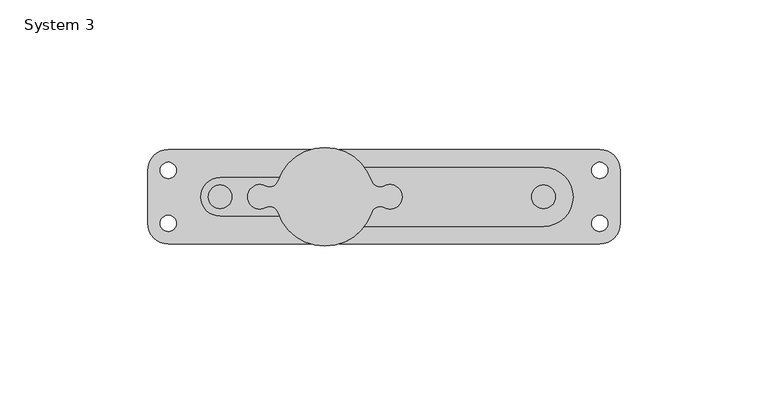
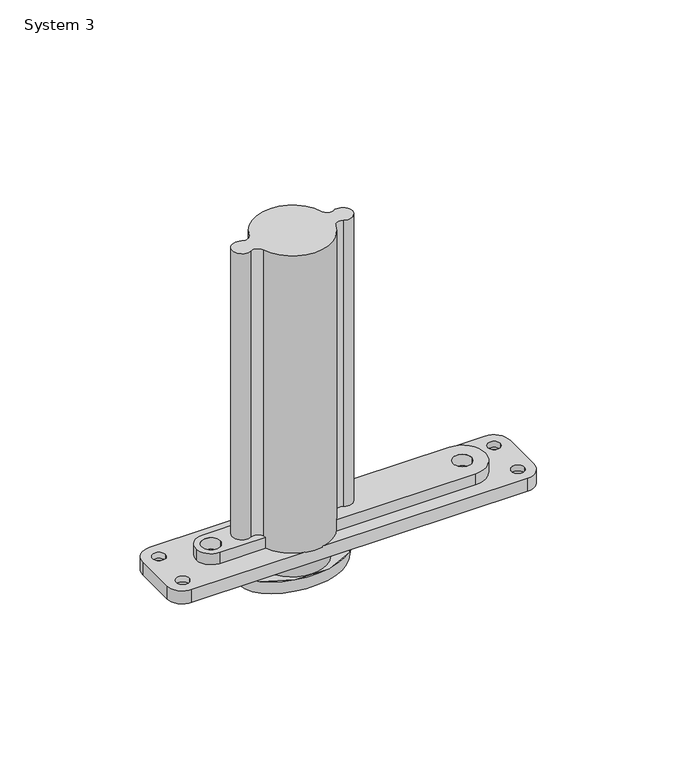
"""IFC4 building model written with IfcOpenShell, lengths in millimetres: proxy geometry, System 3."""

from ifc_helpers import new_model, si_unit, point, frame, origin, origin_2d, place, context, project, spatial, polyline, circle_curve, ellipse_curve, trimmed, segment, composite_curve, outline, extrude, source, transform, mapped, element, save
from ifc_brep_helpers import plane_surface, cylinder_surface, revolved_surface, spline_surface, advanced_brep


def system_3_7734e4b2(model_context):
    return source(origin(), model_context, "Body", "SolidModel", [
        extrude(outline(composite_curve([segment(trimmed(circle_curve(origin_2d(), 14.5), [point((-14.5, 0.0))], [point((14.5, 0.0))], False, "CARTESIAN"), True, "CONTINUOUS"), segment(trimmed(circle_curve(origin_2d(), 14.5), [point((14.5, 0.0))], [point((-14.5, 0.0))], False, "CARTESIAN"), True, "CONTINUOUS")], self_intersect=False)), frame((0.0, 0.0, -6.3), z_axis=(0.0, 0.0, 1.0), x_axis=(1.0, 0.0, 0.0)), (0.0, 0.0, 1.0), 6.3),
        advanced_brep(
        [(-24.0, 0.0, -6.3), (24.0, 0.0, -6.3), (-23.0, 0.0, -12.3), (23.0, 0.0, -12.3)],
        [
            (0, 1, ellipse_curve(frame((0.0, 0.0, -6.3), z_axis=(0.0, 0.0, 1.0), x_axis=(1.0, 0.0, 0.0)), 24.0, 15.5)),
            (1, 0, ellipse_curve(frame((0.0, 0.0, -6.3), z_axis=(0.0, 0.0, 1.0), x_axis=(1.0, 0.0, 0.0)), 24.0, 15.5)),
            (2, 3, ellipse_curve(frame((0.0, 0.0, -12.3), z_axis=(0.0, 0.0, -1.0), x_axis=(1.0, 0.0, 0.0)), 23.0, 14.5)),
            (3, 2, ellipse_curve(frame((0.0, 0.0, -12.3), z_axis=(0.0, 0.0, -1.0), x_axis=(1.0, 0.0, 0.0)), 23.0, 14.5)),
            (3, 1),
            (0, 2),
        ],
        [
            plane_surface(frame((0.0, 0.0, -6.3), z_axis=(0.0, 0.0, 1.0), x_axis=(0.0, -1.0, 0.0))),
            plane_surface(frame((0.0, 0.0, -12.3), z_axis=(0.0, 0.0, -1.0), x_axis=(0.0, -1.0, 0.0))),
            spline_surface(2, 1, [[(-23.0, 0.0, -12.3), (-24.0, 0.0, -6.3)], [(-23.0, -14.5, -12.3), (-24.0, -15.5, -6.3)], [(0.0, -14.5, -12.3), (0.0, -15.5, -6.3)], [(23.0, -14.5, -12.3), (24.0, -15.5, -6.3)], [(23.0, 0.0, -12.3), (24.0, 0.0, -6.3)]], [3, 2, 3], [2, 2], [0.0, 1.0, 2.0], [0.0, 1.0], weights=[[1.0, 1.0], [0.7071067811865476, 0.7071067811865476], [1.0, 1.0], [0.7071067811865476, 0.7071067811865476], [1.0, 1.0]]),
            spline_surface(2, 1, [[(23.0, 0.0, -12.3), (24.0, 0.0, -6.3)], [(23.0, 14.5, -12.3), (24.0, 15.5, -6.3)], [(0.0, 14.5, -12.3), (0.0, 15.5, -6.3)], [(-23.0, 14.5, -12.3), (-24.0, 15.5, -6.3)], [(-23.0, 0.0, -12.3), (-24.0, 0.0, -6.3)]], [3, 2, 3], [2, 2], [0.0, 1.0, 2.0], [0.0, 1.0], weights=[[1.0, 1.0], [0.7071067811865476, 0.7071067811865476], [1.0, 1.0], [0.7071067811865476, 0.7071067811865476], [1.0, 1.0]]),
        ],
        [
            (0, [[1, 2]]),
            (1, [[3, 4]]),
            (2, [[-4, 5, -1, 6]]),
            (3, [[-3, -6, -2, -5]]),
        ],
    ),
        advanced_brep(
        [(93.0, -15.9997165, 6.0), (100.0, -8.9997165, 6.0), (100.0, 9.0002835, 6.0), (93.0, 16.0002835, 6.0), (4.8213413, 16.0002835, 6.0), (13.3885923, 10.0, 6.0), (74.0, 10.0, 6.0), (84.0, 0.0, 6.0), (74.0, -10.0, 6.0), (13.3885923, -10.0, 6.0), (4.8232224, -15.9997165, 6.0), (90.25, -9.0, 6.0), (95.75, -9.0, 6.0), (90.25, 9.0, 6.0), (95.75, 9.0, 6.0), (-53.0, 16.0002835, 6.0), (-60.0, 9.0002835, 6.0), (-60.0, -8.9997165, 6.0), (-53.0, -15.9997165, 6.0), (-4.8232224, -15.9997165, 6.0), (-15.3949473, -6.5, 6.0), (-35.5, -6.5, 6.0), (-42.0, 0.0, 6.0), (-35.5, 6.5, 6.0), (-15.3949473, 6.5, 6.0), (-4.8213413, 16.0002835, 6.0), (-55.75, 9.0, 6.0), (-50.25, 9.0, 6.0), (-55.75, -9.0, 6.0), (-50.25, -9.0, 6.0), (-31.5, 0.0, 6.0), (-39.5, 0.0, 6.0), (78.0, 0.0, 6.0), (70.0, 0.0, 6.0), (-53.0, -15.9997165, 0.0), (-60.0, -8.9997165, 0.0), (-60.0, 9.0002835, 0.0), (-53.0, 16.0002835, 0.0), (93.0, 16.0002835, 0.0), (100.0, 9.0002835, 0.0), (100.0, -8.9997165, 0.0), (93.0, -15.9997165, 0.0), (-47.0, 9.0, 0.0), (-59.0, 9.0, 0.0), (-47.0, -9.0, 0.0), (-59.0, -9.0, 0.0), (99.0, -9.0, 0.0), (87.0, -9.0, 0.0), (99.0, 9.0, 0.0), (87.0, 9.0, 0.0), (-50.25, 9.0, 3.25), (-55.75, 9.0, 3.25), (-50.25, -9.0, 3.25), (-55.75, -9.0, 3.25), (90.25, -9.0, 3.25), (95.75, -9.0, 3.25), (90.25, 9.0, 3.25), (95.75, 9.0, 3.25), (-20.0391007, -3.6653271, 143.0), (-15.8409091, -5.3216541, 143.0), (15.83968, -5.3253112, 143.0), (20.0391034, -3.665322, 143.0), (20.0391034, 3.665322, 143.0), (15.83968, 5.3253112, 143.0), (-15.8409091, 5.3216541, 143.0), (-20.0391007, 3.6653271, 143.0), (-20.0391007, -3.6653271, 11.2), (-15.8409091, -5.3216541, 11.2), (-15.3949473, -6.5, 11.2), (13.3885923, -10.0, 11.2), (15.83968, -5.3253112, 11.2), (20.0391034, -3.665322, 11.2), (20.0391034, 3.665322, 11.2), (15.83968, 5.3253112, 11.2), (13.3885923, 10.0, 11.2), (-15.3949473, 6.5, 11.2), (-15.8409091, 5.3216541, 11.2), (-20.0391007, 3.6653271, 11.2), (-35.5, 6.5, 11.2), (-42.0, 0.0, 11.2), (-35.5, -6.5, 11.2), (-39.5, 0.0, 11.2), (-31.5, 0.0, 11.2), (74.0, -10.0, 11.2), (84.0, 0.0, 11.2), (74.0, 10.0, 11.2), (70.0, 0.0, 11.2), (78.0, 0.0, 11.2)],
        [
            (0, 1, circle_curve(frame((93.0, -8.9997165, 6.0), z_axis=(0.0, 0.0, 1.0), x_axis=(1.0, 0.0, 0.0)), 7.0)),
            (1, 2),
            (2, 3, circle_curve(frame((93.0, 9.0002835, 6.0), z_axis=(0.0, 0.0, 1.0), x_axis=(1.0, 0.0, 0.0)), 7.0)),
            (3, 4),
            (4, 5, circle_curve(frame((0.0, 0.0, 6.0), z_axis=(0.0, 0.0, -1.0), x_axis=(1.0, 0.0, 0.0)), 16.7109067)),
            (5, 6),
            (6, 7, circle_curve(frame((74.0, 0.0, 6.0), z_axis=(0.0, 0.0, -1.0), x_axis=(1.0, 0.0, 0.0)), 10.0)),
            (7, 8, circle_curve(frame((74.0, 0.0, 6.0), z_axis=(0.0, 0.0, -1.0), x_axis=(1.0, 0.0, 0.0)), 10.0)),
            (8, 9),
            (9, 10, circle_curve(frame((0.0, 0.0, 6.0), z_axis=(0.0, 0.0, -1.0), x_axis=(1.0, 0.0, 0.0)), 16.7109067)),
            (10, 0),
            (11, 12, circle_curve(frame((93.0, -9.0, 6.0), z_axis=(0.0, 0.0, -1.0), x_axis=(1.0, 0.0, 0.0)), 2.75)),
            (12, 11, circle_curve(frame((93.0, -9.0, 6.0), z_axis=(0.0, 0.0, -1.0), x_axis=(1.0, 0.0, 0.0)), 2.75)),
            (13, 14, circle_curve(frame((93.0, 9.0, 6.0), z_axis=(0.0, 0.0, -1.0), x_axis=(1.0, 0.0, 0.0)), 2.75)),
            (14, 13, circle_curve(frame((93.0, 9.0, 6.0), z_axis=(0.0, 0.0, -1.0), x_axis=(1.0, 0.0, 0.0)), 2.75)),
            (15, 16, circle_curve(frame((-53.0, 9.0002835, 6.0), z_axis=(0.0, 0.0, 1.0), x_axis=(1.0, 0.0, 0.0)), 7.0)),
            (16, 17),
            (17, 18, circle_curve(frame((-53.0, -8.9997165, 6.0), z_axis=(0.0, 0.0, 1.0), x_axis=(1.0, 0.0, 0.0)), 7.0)),
            (18, 19),
            (19, 20, circle_curve(frame((0.0, 0.0, 6.0), z_axis=(0.0, 0.0, -1.0), x_axis=(1.0, 0.0, 0.0)), 16.7109067)),
            (20, 21),
            (21, 22, circle_curve(frame((-35.5, 0.0, 6.0), z_axis=(0.0, 0.0, -1.0), x_axis=(1.0, 0.0, 0.0)), 6.5)),
            (22, 23, circle_curve(frame((-35.5, 0.0, 6.0), z_axis=(0.0, 0.0, -1.0), x_axis=(1.0, 0.0, 0.0)), 6.5)),
            (23, 24),
            (24, 25, circle_curve(frame((0.0, 0.0, 6.0), z_axis=(0.0, 0.0, -1.0), x_axis=(1.0, 0.0, 0.0)), 16.7109067)),
            (25, 15),
            (26, 27, circle_curve(frame((-53.0, 9.0, 6.0), z_axis=(0.0, 0.0, -1.0), x_axis=(-1.0, 0.0, 0.0)), 2.75)),
            (27, 26, circle_curve(frame((-53.0, 9.0, 6.0), z_axis=(0.0, 0.0, -1.0), x_axis=(-1.0, 0.0, 0.0)), 2.75)),
            (28, 29, circle_curve(frame((-53.0, -9.0, 6.0), z_axis=(0.0, 0.0, -1.0), x_axis=(-1.0, 0.0, 0.0)), 2.75)),
            (29, 28, circle_curve(frame((-53.0, -9.0, 6.0), z_axis=(0.0, 0.0, -1.0), x_axis=(-1.0, 0.0, 0.0)), 2.75)),
            (30, 31, circle_curve(frame((-35.5, 0.0, 6.0), z_axis=(0.0, 0.0, 1.0), x_axis=(1.0, 0.0, 0.0)), 4.0)),
            (31, 30, circle_curve(frame((-35.5, 0.0, 6.0), z_axis=(0.0, 0.0, 1.0), x_axis=(1.0, 0.0, 0.0)), 4.0)),
            (32, 33, circle_curve(frame((74.0, 0.0, 6.0), z_axis=(0.0, 0.0, 1.0), x_axis=(1.0, 0.0, 0.0)), 4.0)),
            (33, 32, circle_curve(frame((74.0, 0.0, 6.0), z_axis=(0.0, 0.0, 1.0), x_axis=(1.0, 0.0, 0.0)), 4.0)),
            (34, 35, circle_curve(frame((-53.0, -8.9997165, 0.0), z_axis=(0.0, 0.0, -1.0), x_axis=(1.0, 0.0, 0.0)), 7.0)),
            (35, 36),
            (36, 37, circle_curve(frame((-53.0, 9.0002835, 0.0), z_axis=(0.0, 0.0, -1.0), x_axis=(1.0, 0.0, 0.0)), 7.0)),
            (37, 38),
            (38, 39, circle_curve(frame((93.0, 9.0002835, 0.0), z_axis=(0.0, 0.0, -1.0), x_axis=(1.0, 0.0, 0.0)), 7.0)),
            (39, 40),
            (40, 41, circle_curve(frame((93.0, -8.9997165, 0.0), z_axis=(0.0, 0.0, -1.0), x_axis=(1.0, 0.0, 0.0)), 7.0)),
            (41, 34),
            (42, 43, circle_curve(frame((-53.0, 9.0, 0.0), z_axis=(0.0, 0.0, 1.0), x_axis=(-1.0, 0.0, 0.0)), 6.0)),
            (43, 42, circle_curve(frame((-53.0, 9.0, 0.0), z_axis=(0.0, 0.0, 1.0), x_axis=(-1.0, 0.0, 0.0)), 6.0)),
            (44, 45, circle_curve(frame((-53.0, -9.0, 0.0), z_axis=(0.0, 0.0, 1.0), x_axis=(-1.0, 0.0, 0.0)), 6.0)),
            (45, 44, circle_curve(frame((-53.0, -9.0, 0.0), z_axis=(0.0, 0.0, 1.0), x_axis=(-1.0, 0.0, 0.0)), 6.0)),
            (46, 47, circle_curve(frame((93.0, -9.0, 0.0), z_axis=(0.0, 0.0, 1.0), x_axis=(1.0, 0.0, 0.0)), 6.0)),
            (47, 46, circle_curve(frame((93.0, -9.0, 0.0), z_axis=(0.0, 0.0, 1.0), x_axis=(1.0, 0.0, 0.0)), 6.0)),
            (48, 49, circle_curve(frame((93.0, 9.0, 0.0), z_axis=(0.0, 0.0, 1.0), x_axis=(1.0, 0.0, 0.0)), 6.0)),
            (49, 48, circle_curve(frame((93.0, 9.0, 0.0), z_axis=(0.0, 0.0, 1.0), x_axis=(1.0, 0.0, 0.0)), 6.0)),
            (41, 0),
            (10, 19),
            (18, 34),
            (40, 1),
            (39, 2),
            (38, 3),
            (37, 15),
            (25, 4),
            (36, 16),
            (35, 17),
            (42, 50),
            (50, 51, circle_curve(frame((-53.0, 9.0, 3.25), z_axis=(0.0, 0.0, 1.0), x_axis=(-1.0, 0.0, 0.0)), 2.75)),
            (51, 43),
            (51, 50, circle_curve(frame((-53.0, 9.0, 3.25), z_axis=(0.0, 0.0, 1.0), x_axis=(-1.0, 0.0, 0.0)), 2.75)),
            (50, 27),
            (26, 51),
            (44, 52),
            (52, 53, circle_curve(frame((-53.0, -9.0, 3.25), z_axis=(0.0, 0.0, 1.0), x_axis=(-1.0, 0.0, 0.0)), 2.75)),
            (53, 45),
            (53, 52, circle_curve(frame((-53.0, -9.0, 3.25), z_axis=(0.0, 0.0, 1.0), x_axis=(-1.0, 0.0, 0.0)), 2.75)),
            (52, 29),
            (28, 53),
            (54, 47),
            (46, 55),
            (55, 54, circle_curve(frame((93.0, -9.0, 3.25), z_axis=(0.0, 0.0, 1.0), x_axis=(1.0, 0.0, 0.0)), 2.75)),
            (54, 55, circle_curve(frame((93.0, -9.0, 3.25), z_axis=(0.0, 0.0, 1.0), x_axis=(1.0, 0.0, 0.0)), 2.75)),
            (55, 12),
            (11, 54),
            (56, 49),
            (48, 57),
            (57, 56, circle_curve(frame((93.0, 9.0, 3.25), z_axis=(0.0, 0.0, 1.0), x_axis=(1.0, 0.0, 0.0)), 2.75)),
            (56, 57, circle_curve(frame((93.0, 9.0, 3.25), z_axis=(0.0, 0.0, 1.0), x_axis=(1.0, 0.0, 0.0)), 2.75)),
            (57, 14),
            (13, 56),
            (58, 59, circle_curve(frame((-18.6363636, -6.2585088, 143.0), z_axis=(0.0, 0.0, -1.0), x_axis=(1.0, 0.0, 0.0)), 2.9482644)),
            (59, 60, circle_curve(frame((0.0, 0.0, 143.0), z_axis=(0.0, 0.0, 1.0), x_axis=(1.0, 0.0, 0.0)), 16.7109067)),
            (60, 61, circle_curve(frame((18.6363636, -6.2585088, 143.0), z_axis=(0.0, 0.0, -1.0), x_axis=(1.0, 0.0, 0.0)), 2.9482702)),
            (61, 62, circle_curve(frame((22.0, 0.0, 143.0), z_axis=(0.0, 0.0, 1.0), x_axis=(1.0, 0.0, 0.0)), 4.1568859)),
            (62, 63, circle_curve(frame((18.6363636, 6.2585088, 143.0), z_axis=(0.0, 0.0, -1.0), x_axis=(1.0, 0.0, 0.0)), 2.9482702)),
            (63, 64, circle_curve(frame((0.0, 0.0, 143.0), z_axis=(0.0, 0.0, 1.0), x_axis=(1.0, 0.0, 0.0)), 16.7109067)),
            (64, 65, circle_curve(frame((-18.6363636, 6.2585088, 143.0), z_axis=(0.0, 0.0, -1.0), x_axis=(1.0, 0.0, 0.0)), 2.9482644)),
            (65, 58, circle_curve(frame((-22.0, 0.0, 143.0), z_axis=(0.0, 0.0, 1.0), x_axis=(1.0, 0.0, 0.0)), 4.1568917)),
            (10, 19, circle_curve(frame((0.0, 0.0, 6.0), z_axis=(0.0, 0.0, -1.0), x_axis=(1.0, 0.0, 0.0)), 16.7109067)),
            (25, 4, circle_curve(frame((0.0, 0.0, 6.0), z_axis=(0.0, 0.0, -1.0), x_axis=(1.0, 0.0, 0.0)), 16.7109067)),
            (58, 66),
            (66, 67, circle_curve(frame((-18.6363636, -6.2585088, 11.2), z_axis=(0.0, 0.0, -1.0), x_axis=(1.0, 0.0, 0.0)), 2.9482644)),
            (67, 59),
            (67, 68, circle_curve(frame((0.0, 0.0, 11.2), z_axis=(0.0, 0.0, 1.0), x_axis=(1.0, 0.0, 0.0)), 16.7109067)),
            (68, 20),
            (9, 69),
            (69, 70, circle_curve(frame((0.0, 0.0, 11.2), z_axis=(0.0, 0.0, 1.0), x_axis=(1.0, 0.0, 0.0)), 16.7109067)),
            (70, 60),
            (70, 71, circle_curve(frame((18.6363636, -6.2585088, 11.2), z_axis=(0.0, 0.0, -1.0), x_axis=(1.0, 0.0, 0.0)), 2.9482702)),
            (71, 61),
            (71, 72, circle_curve(frame((22.0, 0.0, 11.2), z_axis=(0.0, 0.0, 1.0), x_axis=(1.0, 0.0, 0.0)), 4.1568859)),
            (72, 62),
            (72, 73, circle_curve(frame((18.6363636, 6.2585088, 11.2), z_axis=(0.0, 0.0, -1.0), x_axis=(1.0, 0.0, 0.0)), 2.9482702)),
            (73, 63),
            (73, 74, circle_curve(frame((0.0, 0.0, 11.2), z_axis=(0.0, 0.0, 1.0), x_axis=(1.0, 0.0, 0.0)), 16.7109067)),
            (74, 5),
            (24, 75),
            (75, 76, circle_curve(frame((0.0, 0.0, 11.2), z_axis=(0.0, 0.0, 1.0), x_axis=(1.0, 0.0, 0.0)), 16.7109067)),
            (76, 64),
            (76, 77, circle_curve(frame((-18.6363636, 6.2585088, 11.2), z_axis=(0.0, 0.0, -1.0), x_axis=(1.0, 0.0, 0.0)), 2.9482644)),
            (77, 65),
            (77, 66, circle_curve(frame((-22.0, 0.0, 11.2), z_axis=(0.0, 0.0, 1.0), x_axis=(1.0, 0.0, 0.0)), 4.1568917)),
            (78, 79, circle_curve(frame((-35.5, 0.0, 11.2), z_axis=(0.0, 0.0, 1.0), x_axis=(1.0, 0.0, 0.0)), 6.5)),
            (79, 80, circle_curve(frame((-35.5, 0.0, 11.2), z_axis=(0.0, 0.0, 1.0), x_axis=(1.0, 0.0, 0.0)), 6.5)),
            (80, 68),
            (75, 78),
            (81, 82, circle_curve(frame((-35.5, 0.0, 11.2), z_axis=(0.0, 0.0, -1.0), x_axis=(1.0, 0.0, 0.0)), 4.0)),
            (82, 81, circle_curve(frame((-35.5, 0.0, 11.2), z_axis=(0.0, 0.0, -1.0), x_axis=(1.0, 0.0, 0.0)), 4.0)),
            (83, 84, circle_curve(frame((74.0, 0.0, 11.2), z_axis=(0.0, 0.0, 1.0), x_axis=(1.0, 0.0, 0.0)), 10.0)),
            (84, 85, circle_curve(frame((74.0, 0.0, 11.2), z_axis=(0.0, 0.0, 1.0), x_axis=(1.0, 0.0, 0.0)), 10.0)),
            (85, 74),
            (69, 83),
            (86, 87, circle_curve(frame((74.0, 0.0, 11.2), z_axis=(0.0, 0.0, -1.0), x_axis=(1.0, 0.0, 0.0)), 4.0)),
            (87, 86, circle_curve(frame((74.0, 0.0, 11.2), z_axis=(0.0, 0.0, -1.0), x_axis=(1.0, 0.0, 0.0)), 4.0)),
            (83, 8),
            (7, 84),
            (6, 85),
            (81, 31),
            (30, 82),
            (86, 33),
            (32, 87),
            (23, 78),
            (22, 79),
            (21, 80),
        ],
        [
            plane_surface(frame((93.0, -15.9997165, 6.0), z_axis=(0.0, 0.0, 1.0), x_axis=(1.0, 0.0, 0.0))),
            plane_surface(frame((93.0, -15.9997165, 0.0), z_axis=(0.0, 0.0, -1.0), x_axis=(-1.0, 0.0, 0.0))),
            plane_surface(frame((-53.0, -15.9997165, 6.0), z_axis=(0.0, -1.0, 0.0), x_axis=(0.0, 0.0, -1.0))),
            cylinder_surface(frame((93.0, -8.9997165, 0.0), z_axis=(0.0, 0.0, 1.0), x_axis=(1.0, 0.0, 0.0)), 7.0),
            plane_surface(frame((100.0, -8.9997165, 6.0), z_axis=(1.0, 0.0, 0.0), x_axis=(0.0, 0.0, -1.0))),
            cylinder_surface(frame((93.0, 9.0002835, 0.0), z_axis=(0.0, 0.0, 1.0), x_axis=(1.0, 0.0, 0.0)), 7.0),
            plane_surface(frame((93.0, 16.0002835, 6.0), z_axis=(0.0, 1.0, 0.0), x_axis=(0.0, 0.0, -1.0))),
            cylinder_surface(frame((-53.0, 9.0002835, 0.0), z_axis=(0.0, 0.0, 1.0), x_axis=(1.0, 0.0, 0.0)), 7.0),
            plane_surface(frame((-60.0, 9.0002835, 6.0), z_axis=(-1.0, 0.0, 0.0), x_axis=(0.0, 0.0, -1.0))),
            cylinder_surface(frame((-53.0, -8.9997165, 0.0), z_axis=(0.0, 0.0, 1.0), x_axis=(1.0, 0.0, 0.0)), 7.0),
            revolved_surface(polyline([(-59.0, 9.0, 0.0), (-55.75, 9.0, 3.25)]), (-53.0, 9.0, 0.0), (0.0, 0.0, -1.0)),
            revolved_surface(polyline([(-55.75, 9.0, 3.25), (-55.75, 9.0, 6.0)]), (-53.0, 9.0, 0.0), (0.0, 0.0, -1.0)),
            revolved_surface(polyline([(-59.0, -9.0, 0.0), (-55.75, -9.0, 3.25)]), (-53.0, -9.0, 0.0), (0.0, 0.0, -1.0)),
            revolved_surface(polyline([(-55.75, -9.0, 3.25), (-55.75, -9.0, 6.0)]), (-53.0, -9.0, 0.0), (0.0, 0.0, -1.0)),
            revolved_surface(polyline([(95.75, -9.0, 3.25), (99.0, -9.0, 0.0)]), (93.0, -9.0, 0.0), (0.0, 0.0, 1.0)),
            revolved_surface(polyline([(95.75, -9.0, 6.0), (95.75, -9.0, 3.25)]), (93.0, -9.0, 0.0), (0.0, 0.0, 1.0)),
            revolved_surface(polyline([(95.75, 9.0, 3.25), (99.0, 9.0, 0.0)]), (93.0, 9.0, 0.0), (0.0, 0.0, 1.0)),
            revolved_surface(polyline([(95.75, 9.0, 6.0), (95.75, 9.0, 3.25)]), (93.0, 9.0, 0.0), (0.0, 0.0, 1.0)),
            plane_surface(frame((-15.6880992, -6.2585088, 143.0), z_axis=(0.0, 0.0, 1.0), x_axis=(0.0, -1.0, 0.0))),
            plane_surface(frame((-15.6880992, -6.2585088, 6.0), z_axis=(0.0, 0.0, -1.0), x_axis=(0.0, 1.0, 0.0))),
            revolved_surface(polyline([(-15.6880992, -6.2585088, 11.2), (-15.6880992, -6.2585088, 143.0)]), (-18.6363636, -6.2585088, 6.0), (0.0, 0.0, -1.0)),
            cylinder_surface(frame((0.0, 0.0, 6.0), z_axis=(0.0, 0.0, 1.0), x_axis=(1.0, 0.0, 0.0)), 16.7109067),
            revolved_surface(polyline([(21.5846338, -6.2585088, 11.2), (21.5846338, -6.2585088, 143.0)]), (18.6363636, -6.2585088, 6.0), (0.0, 0.0, -1.0)),
            cylinder_surface(frame((22.0, 0.0, 6.0), z_axis=(0.0, 0.0, 1.0), x_axis=(1.0, 0.0, 0.0)), 4.1568859),
            revolved_surface(polyline([(21.5846338, 6.2585088, 11.2), (21.5846338, 6.2585088, 143.0)]), (18.6363636, 6.2585088, 6.0), (0.0, 0.0, -1.0)),
            revolved_surface(polyline([(-15.6880992, 6.2585088, 11.2), (-15.6880992, 6.2585088, 143.0)]), (-18.6363636, 6.2585088, 6.0), (0.0, 0.0, -1.0)),
            cylinder_surface(frame((-22.0, 0.0, 6.0), z_axis=(0.0, 0.0, 1.0), x_axis=(1.0, 0.0, 0.0)), 4.1568917),
            plane_surface(frame((-0.5, 10.0, 11.2), z_axis=(0.0, 0.0, 1.0), x_axis=(0.0, -1.0, 0.0))),
            cylinder_surface(frame((74.0, 0.0, 6.0), z_axis=(0.0, 0.0, 1.0), x_axis=(1.0, 0.0, 0.0)), 10.0),
            plane_surface(frame((74.0, 10.0, 11.2), z_axis=(0.0, 1.0, 0.0), x_axis=(0.0, 0.0, -1.0))),
            revolved_surface(polyline([(-31.5, 0.0, 6.0), (-31.5, 0.0, 11.2)]), (-35.5, 0.0, 0.0), (0.0, 0.0, -1.0)),
            revolved_surface(polyline([(78.0, 0.0, 6.0), (78.0, 0.0, 11.2)]), (74.0, 0.0, 0.0), (0.0, 0.0, -1.0)),
            plane_surface(frame((-0.5, 6.5, 11.2), z_axis=(0.0, 1.0, 0.0), x_axis=(0.0, 0.0, -1.0))),
            cylinder_surface(frame((-35.5, 0.0, 6.0), z_axis=(0.0, 0.0, 1.0), x_axis=(1.0, 0.0, 0.0)), 6.5),
            plane_surface(frame((-35.5, -6.5, 11.2), z_axis=(0.0, -1.0, 0.0), x_axis=(0.0, 0.0, -1.0))),
            plane_surface(frame((-0.5, -10.0, 11.2), z_axis=(0.0, -1.0, 0.0), x_axis=(0.0, 0.0, -1.0))),
        ],
        [
            (0, [[1, 2, 3, 4, 5, 6, 7, 8, 9, 10, 11], [12, 13], [14, 15]]),
            (0, [[16, 17, 18, 19, 20, 21, 22, 23, 24, 25, 26], [27, 28], [29, 30]]),
            (0, [[31, 32]]),
            (0, [[33, 34]]),
            (1, [[35, 36, 37, 38, 39, 40, 41, 42], [43, 44], [45, 46], [47, 48], [49, 50]]),
            (2, [[-42, 51, -11, 52, -19, 53]]),
            (3, [[-1, -51, -41, 54]]),
            (4, [[-2, -54, -40, 55]]),
            (5, [[-3, -55, -39, 56]]),
            (6, [[-38, 57, -26, 58, -4, -56]]),
            (7, [[-16, -57, -37, 59]]),
            (8, [[-17, -59, -36, 60]]),
            (9, [[-18, -60, -35, -53]]),
            (10, [[61, 62, 63, -43]]),
            (10, [[-61, -44, -63, 64]]),
            (11, [[-62, 65, -27, 66]]),
            (11, [[-64, -66, -28, -65]]),
            (12, [[67, 68, 69, -45]]),
            (12, [[-67, -46, -69, 70]]),
            (13, [[-68, 71, -29, 72]]),
            (13, [[-70, -72, -30, -71]]),
            (14, [[73, -47, 74, 75]]),
            (14, [[-73, 76, -74, -48]]),
            (15, [[-75, 77, -12, 78]]),
            (15, [[-76, -78, -13, -77]]),
            (16, [[79, -49, 80, 81]]),
            (16, [[-79, 82, -80, -50]]),
            (17, [[-81, 83, -14, 84]]),
            (17, [[-82, -84, -15, -83]]),
            (18, [[85, 86, 87, 88, 89, 90, 91, 92]]),
            (19, [[93, -52]]),
            (19, [[94, -58]]),
            (20, [[-85, 95, 96, 97]]),
            (21, [[-86, -97, 98, 99, -20, -93, -10, 100, 101, 102]]),
            (22, [[-87, -102, 103, 104]]),
            (23, [[-88, -104, 105, 106]]),
            (24, [[-89, -106, 107, 108]]),
            (21, [[-90, -108, 109, 110, -5, -94, -25, 111, 112, 113]]),
            (25, [[-91, -113, 114, 115]]),
            (26, [[-92, -115, 116, -95]]),
            (27, [[117, 118, 119, -98, -96, -116, -114, -112, 120], [121, 122]]),
            (27, [[123, 124, 125, -109, -107, -105, -103, -101, 126], [127, 128]]),
            (28, [[-123, 129, -8, 130]]),
            (28, [[-124, -130, -7, 131]]),
            (29, [[-131, -6, -110, -125]]),
            (30, [[-121, 132, -31, 133]]),
            (30, [[-122, -133, -32, -132]]),
            (31, [[-127, 134, -33, 135]]),
            (31, [[-128, -135, -34, -134]]),
            (32, [[136, -120, -111, -24]]),
            (33, [[-117, -136, -23, 137]]),
            (33, [[-118, -137, -22, 138]]),
            (34, [[-138, -21, -99, -119]]),
            (35, [[-129, -126, -100, -9]]),
        ],
    ),
    ])


if __name__ == "__main__":
    model = new_model("IFC4")
    model_context = context("Model", 3, world=origin())
    ifc_project = project(units=[si_unit("LENGTHUNIT", "METRE", prefix="MILLI")], contexts=[model_context])
    site = spatial("IfcSite", under=ifc_project)
    building = spatial("IfcBuilding", under=site)
    placement = place(None, origin())
    system_3_shape = system_3_7734e4b2(model_context)
    element("IfcBuildingElementProxy", 1, Name="System 3", ObjectType="System 3", at=placement, inside=building, context=model_context, shape_type="MappedRepresentation", body=[
        mapped(system_3_shape, transform((0.0, 0.0, 0.0), x_axis=(1.0, 0.0, 0.0), y_axis=(0.0, 1.0, 0.0), z_axis=(0.0, 0.0, 1.0))),
    ])
    save(model, "model.ifc")
